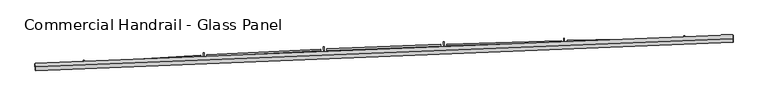
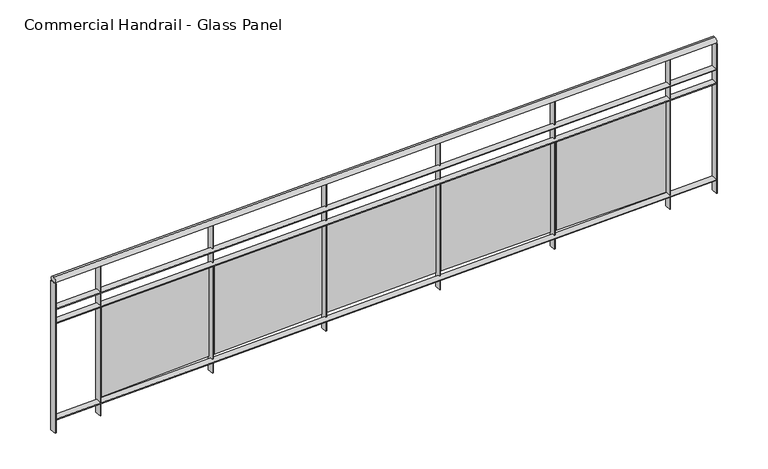
"""IFC4 building model written with IfcOpenShell, lengths in millimetres: railing geometry, Commercial Handrail - Glass Panel."""

from ifc_helpers import new_model, si_unit, point, frame, origin, place, context, project, spatial, polyline, circle_curve, ellipse_curve, trimmed, outline, extrude, source, transform, mapped, element, save
from ifc_brep_helpers import plane_surface, cylinder_surface, revolved_surface, advanced_brep


def commercial_handrail_glass_panel_af7b82bc(model_context):
    return source(origin(), model_context, "Body", "SolidModel", [
        advanced_brep(
        [(71505.6861982, -30835.0475146, 6082.5), (76144.1741708, -30647.2976365, 6082.5), (76144.1741708, -30647.2976365, 6117.5), (71505.6861982, -30835.0475146, 6117.5)],
        [
            (0, 1, circle_curve(frame((76915.8591208, -107104.6666099, 6082.5), z_axis=(0.0, 0.0, -1.0), x_axis=(-0.010092495439534601, 0.9999490694709421, 0.0)), 76461.263186)),
            (1, 2, ellipse_curve(frame((76144.1741708, -30647.2976365, 6100.0), z_axis=(-0.9999490694709422, -0.010092495439541114, 0.0), x_axis=(-0.010092495439541112, 0.999949069470942, 0.0)), 25.0, 17.5)),
            (2, 3, circle_curve(frame((76915.8591208, -107104.6666099, 6117.5), z_axis=(0.0, 0.0, 1.0), x_axis=(-0.010092495439534601, 0.9999490694709421, 0.0)), 76461.263186)),
            (3, 0, ellipse_curve(frame((71505.6861982, -30835.0475146, 6100.0), z_axis=(0.9974935793277843, 0.07075704346455967, 0.0), x_axis=(-0.07075704346455966, 0.997493579327784, 0.0)), 25.0, 17.5)),
            (2, 1, ellipse_curve(frame((76144.1741708, -30647.2976365, 6100.0), z_axis=(-0.9999490694709422, -0.010092495439541114, 0.0), x_axis=(-0.010092495439541112, 0.999949069470942, 0.0)), 25.0, 17.5)),
            (0, 3, ellipse_curve(frame((71505.6861982, -30835.0475146, 6100.0), z_axis=(0.9974935793277843, 0.07075704346455967, 0.0), x_axis=(-0.07075704346455966, 0.997493579327784, 0.0)), 25.0, 17.5)),
        ],
        [
            revolved_surface(trimmed(ellipse_curve(frame((76144.1741708, -30647.2976365, 6100.0), z_axis=(0.9999490694709421, 0.010092495439534601, 0.0), x_axis=(0.0, 0.0, -1.0)), 17.5, 25.0), [point((76144.1741708, -30647.2976365, 6117.5))], [point((76144.1741708, -30647.2976365, 6082.5))], True, "CARTESIAN"), (76915.8591208, -107104.6666099, 6100.0), (0.0, 0.0, 1.0)),
            revolved_surface(trimmed(ellipse_curve(frame((76144.1741708, -30647.2976365, 6100.0), z_axis=(0.9999490694709421, 0.010092495439534601, 0.0), x_axis=(0.0, 0.0, -1.0)), 17.5, 25.0), [point((76144.1741708, -30647.2976365, 6082.5))], [point((76144.1741708, -30647.2976365, 6117.5))], True, "CARTESIAN"), (76915.8591208, -107104.6666099, 6100.0), (0.0, 0.0, 1.0)),
            plane_surface(frame((76144.1741708, -30647.2976365, 6100.0), z_axis=(0.9999490694709421, 0.010092495439534601, 0.0), x_axis=(0.010092495439534601, -0.9999490694709421, 0.0))),
            plane_surface(frame((71505.6861982, -30835.0475146, 6100.0), z_axis=(-0.9974935793277843, -0.07075704346455959, 0.0), x_axis=(0.07075704346455959, -0.9974935793277843, 0.0))),
        ],
        [
            (0, [[1, 2, 3, 4]]),
            (1, [[-3, 5, -1, 6]]),
            (2, [[-2, -5]]),
            (3, [[-6, -4]]),
        ],
    ),
        advanced_brep(
        [(71507.2782316, -30857.4911202, 5900.0), (76144.4012519, -30669.7964906, 5900.0), (76143.9470896, -30624.7987825, 5900.0), (71504.0941647, -30812.6039091, 5900.0), (71507.2782316, -30857.4911202, 5894.0), (76144.4012519, -30669.7964906, 5894.0), (71504.0941647, -30812.6039091, 5894.0), (76143.9470896, -30624.7987825, 5894.0)],
        [
            (0, 1, circle_curve(frame((76915.8591208, -107104.6666099, 5900.0), z_axis=(0.0, 0.0, -1.0), x_axis=(-0.010092495439534601, 0.9999490694709421, 0.0)), 76438.763186)),
            (1, 2),
            (2, 3, circle_curve(frame((76915.8591208, -107104.6666099, 5900.0), z_axis=(0.0, 0.0, 1.0), x_axis=(-0.010092495439534601, 0.9999490694709421, 0.0)), 76483.763186)),
            (3, 0),
            (4, 5, circle_curve(frame((76915.8591208, -107104.6666099, 5894.0), z_axis=(0.0, 0.0, -1.0), x_axis=(-0.010092495439534601, 0.9999490694709421, 0.0)), 76438.763186)),
            (5, 1),
            (0, 4),
            (6, 7, circle_curve(frame((76915.8591208, -107104.6666099, 5894.0), z_axis=(0.0, 0.0, -1.0), x_axis=(-0.010092495439534601, 0.9999490694709421, 0.0)), 76483.763186)),
            (7, 5),
            (4, 6),
            (2, 7),
            (6, 3),
        ],
        [
            plane_surface(frame((76915.8591208, -107104.6666099, 5900.0), z_axis=(0.0, 0.0, 1.0), x_axis=(-0.010092495439534601, 0.9999490694709421, 0.0))),
            revolved_surface(polyline([(76144.40125194163, -30669.796490549605, 5900.0), (76144.40125194163, -30669.796490549605, 5894.0)]), (76915.8591208, -107104.6666099, 5900.0), (0.0, 0.0, 1.0)),
            plane_surface(frame((76915.8591208, -107104.6666099, 5894.0), z_axis=(0.0, 0.0, -1.0), x_axis=(-0.010092495439534601, 0.9999490694709421, 0.0))),
            cylinder_surface(frame((76915.8591208, -107104.6666099, 5900.0), z_axis=(0.0, 0.0, 1.0), x_axis=(-0.010092495439534601, 0.9999490694709421, 0.0)), 76483.763186),
            plane_surface(frame((76144.1741708, -30647.2976365, 5900.0), z_axis=(0.9999490694709421, 0.010092495439534601, 0.0), x_axis=(0.010092495439534601, -0.9999490694709421, 0.0))),
            plane_surface(frame((71505.6861982, -30835.0475146, 5900.0), z_axis=(-0.9974935793277843, -0.07075704346455959, 0.0), x_axis=(0.07075704346455959, -0.9974935793277843, 0.0))),
        ],
        [
            (0, [[1, 2, 3, 4]]),
            (1, [[5, 6, -1, 7]]),
            (2, [[8, 9, -5, 10]]),
            (3, [[-3, 11, -8, 12]]),
            (4, [[-2, -6, -9, -11]]),
            (5, [[-12, -10, -7, -4]]),
        ],
    ),
        advanced_brep(
        [(71507.2782316, -30857.4911202, 5800.0), (76144.4012519, -30669.7964906, 5800.0), (76143.9470896, -30624.7987825, 5800.0), (71504.0941647, -30812.6039091, 5800.0), (71507.2782316, -30857.4911202, 5794.0), (76144.4012519, -30669.7964906, 5794.0), (71504.0941647, -30812.6039091, 5794.0), (76143.9470896, -30624.7987825, 5794.0)],
        [
            (0, 1, circle_curve(frame((76915.8591208, -107104.6666099, 5800.0), z_axis=(0.0, 0.0, -1.0), x_axis=(-0.010092495439534601, 0.9999490694709421, 0.0)), 76438.763186)),
            (1, 2),
            (2, 3, circle_curve(frame((76915.8591208, -107104.6666099, 5800.0), z_axis=(0.0, 0.0, 1.0), x_axis=(-0.010092495439534601, 0.9999490694709421, 0.0)), 76483.763186)),
            (3, 0),
            (4, 5, circle_curve(frame((76915.8591208, -107104.6666099, 5794.0), z_axis=(0.0, 0.0, -1.0), x_axis=(-0.010092495439534601, 0.9999490694709421, 0.0)), 76438.763186)),
            (5, 1),
            (0, 4),
            (6, 7, circle_curve(frame((76915.8591208, -107104.6666099, 5794.0), z_axis=(0.0, 0.0, -1.0), x_axis=(-0.010092495439534601, 0.9999490694709421, 0.0)), 76483.763186)),
            (7, 5),
            (4, 6),
            (2, 7),
            (6, 3),
        ],
        [
            plane_surface(frame((76915.8591208, -107104.6666099, 5800.0), z_axis=(0.0, 0.0, 1.0), x_axis=(-0.010092495439534601, 0.9999490694709421, 0.0))),
            revolved_surface(polyline([(76144.40125194163, -30669.796490549605, 5800.0), (76144.40125194163, -30669.796490549605, 5794.0)]), (76915.8591208, -107104.6666099, 5800.0), (0.0, 0.0, 1.0)),
            plane_surface(frame((76915.8591208, -107104.6666099, 5794.0), z_axis=(0.0, 0.0, -1.0), x_axis=(-0.010092495439534601, 0.9999490694709421, 0.0))),
            cylinder_surface(frame((76915.8591208, -107104.6666099, 5800.0), z_axis=(0.0, 0.0, 1.0), x_axis=(-0.010092495439534601, 0.9999490694709421, 0.0)), 76483.763186),
            plane_surface(frame((76144.1741708, -30647.2976365, 5800.0), z_axis=(0.9999490694709421, 0.010092495439534601, 0.0), x_axis=(0.010092495439534601, -0.9999490694709421, 0.0))),
            plane_surface(frame((71505.6861982, -30835.0475146, 5800.0), z_axis=(-0.9974935793277843, -0.07075704346455959, 0.0), x_axis=(0.07075704346455959, -0.9974935793277843, 0.0))),
        ],
        [
            (0, [[1, 2, 3, 4]]),
            (1, [[5, 6, -1, 7]]),
            (2, [[8, 9, -5, 10]]),
            (3, [[-3, 11, -8, 12]]),
            (4, [[-2, -6, -9, -11]]),
            (5, [[-12, -10, -7, -4]]),
        ],
    ),
        advanced_brep(
        [(71507.2782316, -30857.4911202, 5100.0), (76144.4012519, -30669.7964906, 5100.0), (76143.9470896, -30624.7987825, 5100.0), (71504.0941647, -30812.6039091, 5100.0), (71507.2782316, -30857.4911202, 5094.0), (76144.4012519, -30669.7964906, 5094.0), (71504.0941647, -30812.6039091, 5094.0), (76143.9470896, -30624.7987825, 5094.0)],
        [
            (0, 1, circle_curve(frame((76915.8591208, -107104.6666099, 5100.0), z_axis=(0.0, 0.0, -1.0), x_axis=(-0.010092495439534601, 0.9999490694709421, 0.0)), 76438.763186)),
            (1, 2),
            (2, 3, circle_curve(frame((76915.8591208, -107104.6666099, 5100.0), z_axis=(0.0, 0.0, 1.0), x_axis=(-0.010092495439534601, 0.9999490694709421, 0.0)), 76483.763186)),
            (3, 0),
            (4, 5, circle_curve(frame((76915.8591208, -107104.6666099, 5094.0), z_axis=(0.0, 0.0, -1.0), x_axis=(-0.010092495439534601, 0.9999490694709421, 0.0)), 76438.763186)),
            (5, 1),
            (0, 4),
            (6, 7, circle_curve(frame((76915.8591208, -107104.6666099, 5094.0), z_axis=(0.0, 0.0, -1.0), x_axis=(-0.010092495439534601, 0.9999490694709421, 0.0)), 76483.763186)),
            (7, 5),
            (4, 6),
            (2, 7),
            (6, 3),
        ],
        [
            plane_surface(frame((76915.8591208, -107104.6666099, 5100.0), z_axis=(0.0, 0.0, 1.0), x_axis=(-0.010092495439534601, 0.9999490694709421, 0.0))),
            revolved_surface(polyline([(76144.40125194163, -30669.796490549605, 5100.0), (76144.40125194163, -30669.796490549605, 5094.0)]), (76915.8591208, -107104.6666099, 5100.0), (0.0, 0.0, 1.0)),
            plane_surface(frame((76915.8591208, -107104.6666099, 5094.0), z_axis=(0.0, 0.0, -1.0), x_axis=(-0.010092495439534601, 0.9999490694709421, 0.0))),
            cylinder_surface(frame((76915.8591208, -107104.6666099, 5100.0), z_axis=(0.0, 0.0, 1.0), x_axis=(-0.010092495439534601, 0.9999490694709421, 0.0)), 76483.763186),
            plane_surface(frame((76144.1741708, -30647.2976365, 5100.0), z_axis=(0.9999490694709421, 0.010092495439534601, 0.0), x_axis=(0.010092495439534601, -0.9999490694709421, 0.0))),
            plane_surface(frame((71505.6861982, -30835.0475146, 5100.0), z_axis=(-0.9974935793277843, -0.07075704346455959, 0.0), x_axis=(0.07075704346455959, -0.9974935793277843, 0.0))),
        ],
        [
            (0, [[1, 2, 3, 4]]),
            (1, [[5, 6, -1, 7]]),
            (2, [[8, 9, -5, 10]]),
            (3, [[-3, 11, -8, 12]]),
            (4, [[-2, -6, -9, -11]]),
            (5, [[-12, -10, -7, -4]]),
        ],
    ),
        extrude(outline(polyline([(71827.922694, -30790.3236395), (71830.9179943, -30835.2238419), (71824.9313006, -30835.6232153), (71821.9360003, -30790.7230129), (71827.922694, -30790.3236395)])), frame((0.0, 0.0, 5000.0), z_axis=(0.0, 0.0, 1.0), x_axis=(1.0, 0.0, 0.0)), (0.0, 0.0, 1.0), 1082.1192282),
        extrude(outline(polyline([(72605.2601762, -30770.0715329), (71846.6913818, -30816.6911009), (71845.9552833, -30804.7136989), (72604.5240778, -30758.0941309), (72605.2601762, -30770.0715329)])), frame((0.0, 0.0, 5120.0), z_axis=(0.0, 0.0, 1.0), x_axis=(1.0, 0.0, 0.0)), (0.0, 0.0, 1.0), 660.0),
        extrude(outline(polyline([(72626.649414, -30741.2675225), (72629.1747764, -30786.1966061), (72623.184232, -30786.533321), (72620.6588695, -30741.6042375), (72626.649414, -30741.2675225)])), frame((0.0, 0.0, 5000.0), z_axis=(0.0, 0.0, 1.0), x_axis=(1.0, 0.0, 0.0)), (0.0, 0.0, 1.0), 1082.1192282),
        extrude(outline(polyline([(73404.156239, -30729.1495138), (72645.1412017, -30767.8299104), (72644.5304586, -30755.8454624), (73403.5454959, -30717.1650658), (73404.156239, -30729.1495138)])), frame((0.0, 0.0, 5120.0), z_axis=(0.0, 0.0, 1.0), x_axis=(1.0, 0.0, 0.0)), (0.0, 0.0, 1.0), 660.0),
        extrude(outline(polyline([(73425.8456716, -30700.5708675), (73427.9008197, -30745.5239138), (73421.9070802, -30745.7979335), (73419.8519321, -30700.8448873), (73425.8456716, -30700.5708675)])), frame((0.0, 0.0, 5000.0), z_axis=(0.0, 0.0, 1.0), x_axis=(1.0, 0.0, 0.0)), (0.0, 0.0, 1.0), 1082.1192282),
        extrude(outline(polyline([(74203.4367261, -30696.5882832), (73444.0585349, -30727.3252741), (73443.573214, -30715.3350921), (74202.9514052, -30684.5981012), (74203.4367261, -30696.5882832)])), frame((0.0, 0.0, 5120.0), z_axis=(0.0, 0.0, 1.0), x_axis=(1.0, 0.0, 0.0)), (0.0, 0.0, 1.0), 660.0),
        extrude(outline(polyline([(74225.4239791, -30668.2381295), (74227.008688, -30713.2102175), (74221.0124096, -30713.421512), (74219.4277008, -30668.4494241), (74225.4239791, -30668.2381295)])), frame((0.0, 0.0, 5000.0), z_axis=(0.0, 0.0, 1.0), x_axis=(1.0, 0.0, 0.0)), (0.0, 0.0, 1.0), 1082.1192282),
        extrude(outline(polyline([(75003.0141407, -30672.3914055), (74243.3559243, -30695.1816261), (74242.9960787, -30683.1870226), (75002.6542952, -30660.3968021), (75003.0141407, -30672.3914055)])), frame((0.0, 0.0, 5120.0), z_axis=(0.0, 0.0, 1.0), x_axis=(1.0, 0.0, 0.0)), (0.0, 0.0, 1.0), 660.0),
        extrude(outline(polyline([(75025.2968073, -30644.272848), (75026.4109034, -30689.2590547), (75020.4127425, -30689.4076008), (75019.2986464, -30644.4213942), (75025.2968073, -30644.272848)])), frame((0.0, 0.0, 5000.0), z_axis=(0.0, 0.0, 1.0), x_axis=(1.0, 0.0, 0.0)), (0.0, 0.0, 1.0), 1082.1192282),
        extrude(outline(polyline([(75802.8009535, -30656.5615297), (75042.9458712, -30671.402485), (75042.7115404, -30659.4047731), (75802.5666226, -30644.5638179), (75802.8009535, -30656.5615297)])), frame((0.0, 0.0, 5120.0), z_axis=(0.0, 0.0, 1.0), x_axis=(1.0, 0.0, 0.0)), (0.0, 0.0, 1.0), 660.0),
        extrude(outline(polyline([(75825.3765943, -30628.6776464), (75826.0199557, -30673.6730471), (75820.0205689, -30673.7588287), (75819.3772075, -30628.7634279), (75825.3765943, -30628.6776464)])), frame((0.0, 0.0, 5000.0), z_axis=(0.0, 0.0, 1.0), x_axis=(1.0, 0.0, 0.0)), (0.0, 0.0, 1.0), 1082.1192282),
        extrude(outline(polyline([(71507.0866454, -30812.391638), (71510.2707124, -30857.278849), (71504.2857509, -30857.7033913), (71501.101684, -30812.8161802), (71507.0866454, -30812.391638)])), frame((0.0, 0.0, 5000.0), z_axis=(0.0, 0.0, 1.0), x_axis=(1.0, 0.0, 0.0)), (0.0, 0.0, 1.0), 1082.1192282),
        extrude(outline(polyline([(76146.9469368, -30624.768505), (76147.4010991, -30669.7662131), (76141.4014047, -30669.8267681), (76140.9472424, -30624.82906), (76146.9469368, -30624.768505)])), frame((0.0, 0.0, 5000.0), z_axis=(0.0, 0.0, 1.0), x_axis=(1.0, 0.0, 0.0)), (0.0, 0.0, 1.0), 1082.1192282),
    ])


if __name__ == "__main__":
    model = new_model("IFC4")
    model_context = context("Model", 3, world=origin())
    ifc_project = project(units=[si_unit("LENGTHUNIT", "METRE", prefix="MILLI")], contexts=[model_context])
    site = spatial("IfcSite", under=ifc_project)
    building = spatial("IfcBuilding", under=site)
    placement = place(None, origin())
    commercial_handrail_glass_panel_shape = commercial_handrail_glass_panel_af7b82bc(model_context)
    element("IfcRailing", 1, ObjectType="Commercial Handrail - Glass Panel", at=placement, inside=building, context=model_context, shape_type="MappedRepresentation", body=[
        mapped(commercial_handrail_glass_panel_shape, transform((0.0, 0.0, 0.0), x_axis=(1.0, 0.0, 0.0), y_axis=(0.0, 1.0, 0.0), z_axis=(0.0, 0.0, 1.0))),
    ])
    save(model, "model.ifc")
